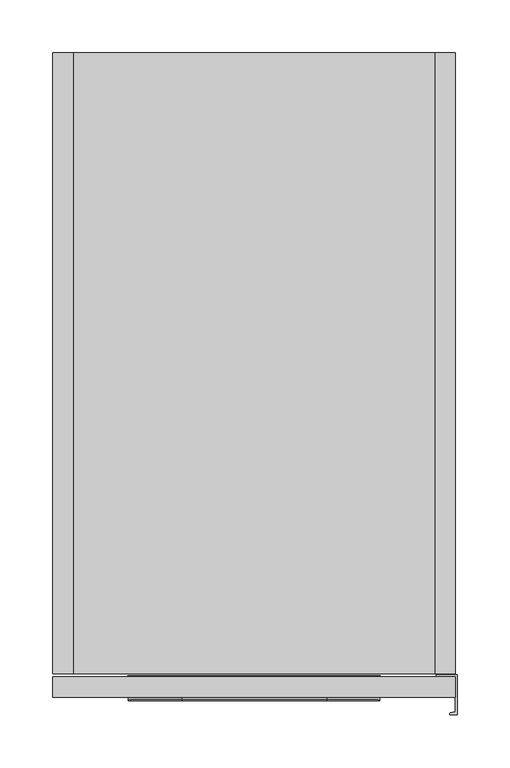
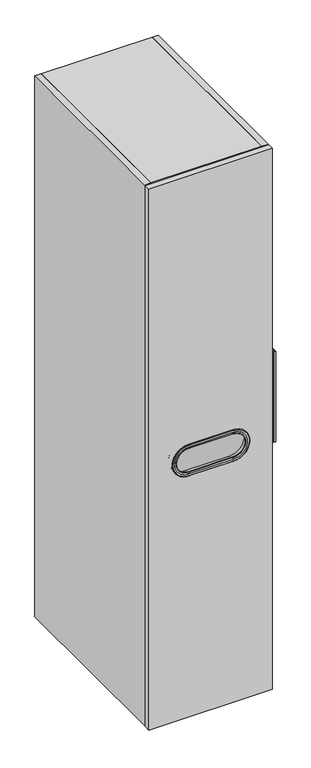
"""IFC4 building model written with IfcOpenShell, lengths in millimetres: furniture geometry."""

from ifc_helpers import new_model, si_unit, point, frame, frame_2d, origin, place, context, project, spatial, polyline, circle_curve, ellipse_curve, trimmed, segment, composite_curve, outline, extrude, source, transform, mapped, element, save
from ifc_brep_helpers import plane_surface, cylinder_surface, revolved_surface, advanced_brep


def furniture_8e4c0657(model_context):
    return source(origin(), model_context, "Body", "SolidModel", [
        extrude(outline(composite_curve([segment(polyline([(382.4988631, -588.4595617), (382.4988631, -626.4595617), (376.4988631, -626.4595617)]), True, "CONTINUOUS"), segment(trimmed(circle_curve(frame_2d((376.4988631, -625.4595617)), 1.0), [point((376.4988631, -626.4595617))], [point((376.240044, -624.4936358))], False, "CARTESIAN"), True, "CONTINUOUS"), segment(polyline([(376.240044, -624.4936358), (380.9988631, -623.2185141), (380.9988631, -590.55), (362.9988631, -590.55), (362.9988631, -588.4595617), (382.4988631, -588.4595617)]), True, "CONTINUOUS")], self_intersect=False)), frame((0.0, 0.0, 918.7942121), z_axis=(0.0, 0.0, 1.0), x_axis=(1.0, 0.0, 0.0)), (0.0, 0.0, 1.0), 296.0116),
        extrude(outline(polyline([(19.304, 0.0), (19.304, -587.375), (0.0, -587.375), (0.0, 0.0), (19.304, 0.0)])), frame((0.0, 0.0, 101.6), z_axis=(0.0, 0.0, 1.0), x_axis=(1.0, 0.0, 0.0)), (0.0, 0.0, 1.0), 1765.3),
        extrude(outline(composite_curve([segment(polyline([(-587.375, 1866.9), (0.0, 1866.9), (0.0, 1783.842), (-9.5152958, 1783.842)]), True, "CONTINUOUS"), segment(trimmed(circle_curve(frame_2d((-9.5152958, 1780.6572958)), 3.1847042), [point((-9.5152958, 1783.842))], [point((-12.7, 1780.6572958))], True, "CARTESIAN"), True, "CONTINUOUS"), segment(polyline([(-12.7, 1780.6572958), (-12.7, 1679.067)]), True, "CONTINUOUS"), segment(trimmed(circle_curve(frame_2d((-9.525, 1679.067)), 3.175), [point((-12.7, 1679.067))], [point((-9.525, 1675.892))], True, "CARTESIAN"), True, "CONTINUOUS"), segment(polyline([(-9.525, 1675.892), (0.0, 1675.892), (0.0, 725.424), (-9.525, 725.424)]), True, "CONTINUOUS"), segment(trimmed(circle_curve(frame_2d((-9.525, 722.249)), 3.175), [point((-9.525, 725.424))], [point((-12.7, 722.249))], True, "CARTESIAN"), True, "CONTINUOUS"), segment(polyline([(-12.7, 722.249), (-12.7, 620.649)]), True, "CONTINUOUS"), segment(trimmed(circle_curve(frame_2d((-9.525, 620.649)), 3.175), [point((-12.7, 620.649))], [point((-9.525, 617.474))], True, "CARTESIAN"), True, "CONTINUOUS"), segment(polyline([(-9.525, 617.474), (0.0, 617.474), (0.0, 101.6), (-587.375, 101.6), (-587.375, 1866.9)]), True, "CONTINUOUS")], self_intersect=False)), frame((361.696, 0.0, 0.0), z_axis=(1.0, 0.0, 0.0), x_axis=(0.0, 1.0, 0.0)), (0.0, 0.0, 1.0), 19.304),
        extrude(outline(polyline([(361.696, -12.7), (361.696, -32.004), (19.304, -32.004), (19.304, -12.7), (361.696, -12.7)])), frame((0.0, 0.0, 101.6), z_axis=(0.0, 0.0, 1.0), x_axis=(1.0, 0.0, 0.0)), (0.0, 0.0, 1.0), 1745.996),
        extrude(outline(polyline([(361.696, -587.375), (19.304, -587.375), (19.304, -32.004), (361.696, -32.004), (361.696, -587.375)])), frame((0.0, 0.0, 101.6), z_axis=(0.0, 0.0, 1.0), x_axis=(1.0, 0.0, 0.0)), (0.0, 0.0, 1.0), 19.304),
        extrude(outline(polyline([(361.696, -587.375), (19.304, -587.375), (19.304, 0.0), (361.696, 0.0), (361.696, -587.375)])), frame((0.0, 0.0, 1847.596), z_axis=(0.0, 0.0, 1.0), x_axis=(1.0, 0.0, 0.0)), (0.0, 0.0, 1.0), 19.304),
        advanced_brep(
        [(121.92, -610.8578403, 978.688296), (121.92, -610.8578403, 902.283304), (121.92, -609.854, 902.3359131), (121.92, -609.854, 978.6356869), (121.92, -611.5287336, 979.100625), (121.92, -611.5287336, 901.870975), (121.92, -612.8512, 984.062024), (121.92, -612.8512, 896.909576), (121.92, -612.2580346, 991.1771461), (121.92, -612.2580346, 889.7944539), (121.92, -612.8512, 890.4086946), (121.92, -612.8512, 990.5629054), (121.92, -590.1701669, 991.9484715), (121.92, -590.1701669, 889.0231285), (121.92, -589.534, 991.3341322), (121.92, -589.534, 889.6374678), (121.92, -609.854, 988.6188), (121.92, -609.854, 892.3528), (121.92, -589.534, 892.3528), (121.92, -589.534, 988.6188), (259.08, -609.854, 978.6356869), (259.08, -610.8578403, 978.688296), (259.08, -611.5287336, 979.100625), (259.08, -612.8512, 984.062024), (259.08, -612.8512, 990.5629054), (259.08, -612.2580346, 991.1771461), (259.08, -590.1701669, 991.9484715), (259.08, -589.534, 991.3341322), (259.08, -589.534, 988.6188), (259.08, -609.854, 988.6188), (259.08, -610.8578403, 902.283304), (259.08, -609.854, 902.3359131), (259.08, -611.5287336, 901.870975), (259.08, -612.8512, 896.909576), (259.08, -612.2580346, 889.7944539), (259.08, -612.8512, 890.4086946), (259.08, -590.1701669, 889.0231285), (259.08, -589.534, 889.6374678), (259.08, -609.854, 892.3528), (259.08, -589.534, 892.3528)],
        [
            (0, 1, circle_curve(frame((121.92, -610.8578403, 940.4858), z_axis=(0.0, -1.0, 0.0), x_axis=(0.0, 0.0, -1.0)), 38.202496)),
            (1, 2),
            (2, 3, circle_curve(frame((121.92, -609.854, 940.4858), z_axis=(0.0, 1.0, 0.0), x_axis=(0.0, 0.0, -1.0)), 38.1498869)),
            (3, 0),
            (4, 5, circle_curve(frame((121.92, -611.5287336, 940.4858), z_axis=(0.0, -1.0, 0.0), x_axis=(0.0, 0.0, -1.0)), 38.614825)),
            (5, 1, circle_curve(frame((121.92, -610.8147579, 901.4612416), z_axis=(-1.0, 0.0, 0.0), x_axis=(0.0, -1.0, 0.0)), 0.8231906)),
            (0, 4, circle_curve(frame((121.92, -610.8147579, 979.5103584), z_axis=(-1.0, 0.0, 0.0), x_axis=(0.0, -1.0, 0.0)), 0.8231906)),
            (6, 7, circle_curve(frame((121.92, -612.8512, 940.4858), z_axis=(0.0, -1.0, 0.0), x_axis=(0.0, 0.0, -1.0)), 43.576224)),
            (7, 5, circle_curve(frame((121.92, -602.883311, 896.909576), z_axis=(-1.0, 0.0, 0.0), x_axis=(0.0, -1.0, 0.0)), 9.967889)),
            (4, 6, circle_curve(frame((121.92, -602.883311, 984.062024), z_axis=(-1.0, 0.0, 0.0), x_axis=(0.0, -1.0, 0.0)), 9.967889)),
            (8, 9, circle_curve(frame((121.92, -612.2580346, 940.4858), z_axis=(0.0, -1.0, 0.0), x_axis=(0.0, 0.0, -1.0)), 50.6913461)),
            (9, 10, circle_curve(frame((121.92, -612.2365849, 890.4086946), z_axis=(-1.0, 0.0, 0.0), x_axis=(0.0, -1.0, 0.0)), 0.6146151)),
            (10, 11, circle_curve(frame((121.92, -612.8512, 940.4858), z_axis=(0.0, 1.0, 0.0), x_axis=(0.0, 0.0, -1.0)), 50.0771054)),
            (11, 8, circle_curve(frame((121.92, -612.2365849, 990.5629054), z_axis=(-1.0, 0.0, 0.0), x_axis=(0.0, -1.0, 0.0)), 0.6146151)),
            (12, 13, circle_curve(frame((121.92, -590.1701669, 940.4858), z_axis=(0.0, -1.0, 0.0), x_axis=(0.0, 0.0, -1.0)), 51.4626715)),
            (13, 9),
            (8, 12),
            (14, 15, circle_curve(frame((121.92, -589.534, 940.4858), z_axis=(0.0, -1.0, 0.0), x_axis=(0.0, 0.0, -1.0)), 50.8483322)),
            (15, 13, circle_curve(frame((121.92, -590.1487137, 889.6374678), z_axis=(-1.0, 0.0, 0.0), x_axis=(0.0, -1.0, 0.0)), 0.6147137)),
            (12, 14, circle_curve(frame((121.92, -590.1487137, 991.3341322), z_axis=(-1.0, 0.0, 0.0), x_axis=(0.0, -1.0, 0.0)), 0.6147137)),
            (16, 17, circle_curve(frame((121.92, -609.854, 940.4858), z_axis=(0.0, -1.0, 0.0), x_axis=(0.0, 0.0, -1.0)), 48.133)),
            (17, 18),
            (18, 19, circle_curve(frame((121.92, -589.534, 940.4858), z_axis=(0.0, 1.0, 0.0), x_axis=(0.0, 0.0, -1.0)), 48.133)),
            (19, 16),
            (3, 20),
            (20, 21),
            (21, 0),
            (21, 22, circle_curve(frame((259.08, -610.8147579, 979.5103584), z_axis=(-1.0, 0.0, 0.0), x_axis=(0.0, -1.0, 0.0)), 0.8231906)),
            (22, 4),
            (22, 23, circle_curve(frame((259.08, -602.883311, 984.062024), z_axis=(-1.0, 0.0, 0.0), x_axis=(0.0, -1.0, 0.0)), 9.967889)),
            (23, 6),
            (11, 24),
            (24, 25, circle_curve(frame((259.08, -612.2365849, 990.5629054), z_axis=(-1.0, 0.0, 0.0), x_axis=(0.0, -1.0, 0.0)), 0.6146151)),
            (25, 8),
            (25, 26),
            (26, 12),
            (26, 27, circle_curve(frame((259.08, -590.1487137, 991.3341322), z_axis=(-1.0, 0.0, 0.0), x_axis=(0.0, -1.0, 0.0)), 0.6147137)),
            (27, 14),
            (19, 28),
            (28, 29),
            (29, 16),
            (30, 21, circle_curve(frame((259.08, -610.8578403, 940.4858), z_axis=(0.0, -1.0, 0.0), x_axis=(0.0, 0.0, 1.0)), 38.202496)),
            (20, 31, circle_curve(frame((259.08, -609.854, 940.4858), z_axis=(0.0, 1.0, 0.0), x_axis=(0.0, 0.0, 1.0)), 38.1498869)),
            (31, 30),
            (32, 22, circle_curve(frame((259.08, -611.5287336, 940.4858), z_axis=(0.0, -1.0, 0.0), x_axis=(0.0, 0.0, 1.0)), 38.614825)),
            (30, 32, circle_curve(frame((259.08, -610.8147579, 901.4612416), z_axis=(1.0, 0.0, 0.0), x_axis=(0.0, -1.0, 0.0)), 0.8231906)),
            (33, 23, circle_curve(frame((259.08, -612.8512, 940.4858), z_axis=(0.0, -1.0, 0.0), x_axis=(0.0, 0.0, 1.0)), 43.576224)),
            (32, 33, circle_curve(frame((259.08, -602.883311, 896.909576), z_axis=(1.0, 0.0, 0.0), x_axis=(0.0, -1.0, 0.0)), 9.967889)),
            (34, 25, circle_curve(frame((259.08, -612.2580346, 940.4858), z_axis=(0.0, -1.0, 0.0), x_axis=(0.0, 0.0, 1.0)), 50.6913461)),
            (24, 35, circle_curve(frame((259.08, -612.8512, 940.4858), z_axis=(0.0, 1.0, 0.0), x_axis=(0.0, 0.0, 1.0)), 50.0771054)),
            (35, 34, circle_curve(frame((259.08, -612.2365849, 890.4086946), z_axis=(1.0, 0.0, 0.0), x_axis=(0.0, -1.0, 0.0)), 0.6146151)),
            (36, 26, circle_curve(frame((259.08, -590.1701669, 940.4858), z_axis=(0.0, -1.0, 0.0), x_axis=(0.0, 0.0, 1.0)), 51.4626715)),
            (34, 36),
            (37, 27, circle_curve(frame((259.08, -589.534, 940.4858), z_axis=(0.0, -1.0, 0.0), x_axis=(0.0, 0.0, 1.0)), 50.8483322)),
            (36, 37, circle_curve(frame((259.08, -590.1487137, 889.6374678), z_axis=(1.0, 0.0, 0.0), x_axis=(0.0, -1.0, 0.0)), 0.6147137)),
            (38, 29, circle_curve(frame((259.08, -609.854, 940.4858), z_axis=(0.0, -1.0, 0.0), x_axis=(0.0, 0.0, 1.0)), 48.133)),
            (28, 39, circle_curve(frame((259.08, -589.534, 940.4858), z_axis=(0.0, 1.0, 0.0), x_axis=(0.0, 0.0, 1.0)), 48.133)),
            (39, 38),
            (38, 17),
            (2, 31),
            (1, 30),
            (5, 32),
            (7, 33),
            (10, 35),
            (9, 34),
            (13, 36),
            (15, 37),
            (18, 39),
        ],
        [
            revolved_surface(polyline([(121.92, -609.854, 902.3359131), (121.92, -610.8578403, 902.283304)]), (121.92, -609.854, 940.4858), (0.0, 1.0, 0.0)),
            revolved_surface(trimmed(ellipse_curve(frame((121.92, -610.8147579, 901.4612416), z_axis=(1.0, 0.0, 0.0), x_axis=(0.0, -1.0, 0.0)), 0.8231906, 0.8231906), [point((121.92, -610.8578403, 902.283304))], [point((121.92, -611.5287336, 901.870975))], True, "CARTESIAN"), (121.92, -609.854, 940.4858), (0.0, 1.0, 0.0)),
            revolved_surface(trimmed(ellipse_curve(frame((121.92, -602.883311, 896.909576), z_axis=(1.0, 0.0, 0.0), x_axis=(0.0, -1.0, 0.0)), 9.967889, 9.967889), [point((121.92, -611.5287336, 901.870975))], [point((121.92, -612.8512, 896.909576))], True, "CARTESIAN"), (121.92, -609.854, 940.4858), (0.0, 1.0, 0.0)),
            revolved_surface(trimmed(ellipse_curve(frame((121.92, -612.2365849, 890.4086946), z_axis=(1.0, 0.0, 0.0), x_axis=(0.0, -1.0, 0.0)), 0.6146151, 0.6146151), [point((121.92, -612.8512, 890.4086946))], [point((121.92, -612.2580346, 889.7944539))], True, "CARTESIAN"), (121.92, -609.854, 940.4858), (0.0, 1.0, 0.0)),
            revolved_surface(polyline([(121.92, -612.2580346, 889.7944539), (121.92, -590.1701669, 889.0231285)]), (121.92, -609.854, 940.4858), (0.0, 1.0, 0.0)),
            revolved_surface(trimmed(ellipse_curve(frame((121.92, -590.1487137, 889.6374678), z_axis=(1.0, 0.0, 0.0), x_axis=(0.0, -1.0, 0.0)), 0.6147137, 0.6147137), [point((121.92, -590.1701669, 889.0231285))], [point((121.92, -589.534, 889.6374678))], True, "CARTESIAN"), (121.92, -609.854, 940.4858), (0.0, 1.0, 0.0)),
            revolved_surface(polyline([(121.92, -589.534, 892.3528), (121.92, -609.854, 892.3528)]), (121.92, -609.854, 940.4858), (0.0, 1.0, 0.0)),
            plane_surface(frame((121.92, -609.854, 978.6356869), z_axis=(0.0, -0.05233595624287116, -0.9986295347545777), x_axis=(1.0, 0.0, 0.0))),
            cylinder_surface(frame((121.92, -610.8147579, 979.5103584), z_axis=(-1.0, 0.0, 0.0), x_axis=(0.0, -1.0, 0.0)), 0.8231906),
            cylinder_surface(frame((121.92, -602.883311, 984.062024), z_axis=(-1.0, 0.0, 0.0), x_axis=(0.0, -1.0, 0.0)), 9.967889),
            cylinder_surface(frame((121.92, -612.2365849, 990.5629054), z_axis=(-1.0, 0.0, 0.0), x_axis=(0.0, -1.0, 0.0)), 0.6146151),
            plane_surface(frame((121.92, -612.2580346, 991.1771461), z_axis=(0.0, -0.03489949670249897, 0.9993908270190958), x_axis=(1.0, 0.0, 0.0))),
            cylinder_surface(frame((121.92, -590.1487137, 991.3341322), z_axis=(-1.0, 0.0, 0.0), x_axis=(0.0, -1.0, 0.0)), 0.6147137),
            plane_surface(frame((121.92, -589.534, 988.6188), z_axis=(0.0, 0.0, -1.0), x_axis=(1.0, 0.0, 0.0))),
            revolved_surface(polyline([(259.08, -609.854, 978.6356869), (259.08, -610.8578403, 978.688296)]), (259.08, -609.854, 940.4858), (0.0, 1.0, 0.0)),
            revolved_surface(trimmed(ellipse_curve(frame((259.08, -610.8147579, 979.5103584), z_axis=(-1.0, 0.0, 0.0), x_axis=(0.0, -1.0, 0.0)), 0.8231906, 0.8231906), [point((259.08, -610.8578403, 978.688296))], [point((259.08, -611.5287336, 979.100625))], True, "CARTESIAN"), (259.08, -609.854, 940.4858), (0.0, 1.0, 0.0)),
            revolved_surface(trimmed(ellipse_curve(frame((259.08, -602.883311, 984.062024), z_axis=(-1.0, 0.0, 0.0), x_axis=(0.0, -1.0, 0.0)), 9.967889, 9.967889), [point((259.08, -611.5287336, 979.100625))], [point((259.08, -612.8512, 984.062024))], True, "CARTESIAN"), (259.08, -609.854, 940.4858), (0.0, 1.0, 0.0)),
            revolved_surface(trimmed(ellipse_curve(frame((259.08, -612.2365849, 990.5629054), z_axis=(-1.0, 0.0, 0.0), x_axis=(0.0, -1.0, 0.0)), 0.6146151, 0.6146151), [point((259.08, -612.8512, 990.5629054))], [point((259.08, -612.2580346, 991.1771461))], True, "CARTESIAN"), (259.08, -609.854, 940.4858), (0.0, 1.0, 0.0)),
            revolved_surface(polyline([(259.08, -612.2580346, 991.1771461), (259.08, -590.1701669, 991.9484715)]), (259.08, -609.854, 940.4858), (0.0, 1.0, 0.0)),
            revolved_surface(trimmed(ellipse_curve(frame((259.08, -590.1487137, 991.3341322), z_axis=(-1.0, 0.0, 0.0), x_axis=(0.0, -1.0, 0.0)), 0.6147137, 0.6147137), [point((259.08, -590.1701669, 991.9484715))], [point((259.08, -589.534, 991.3341322))], True, "CARTESIAN"), (259.08, -609.854, 940.4858), (0.0, 1.0, 0.0)),
            revolved_surface(polyline([(259.08, -589.534, 988.6188000000001), (259.08, -609.854, 988.6188000000001)]), (259.08, -609.854, 940.4858), (0.0, 1.0, 0.0)),
            plane_surface(frame((259.08, -609.854, 892.3528), z_axis=(0.0, 1.0, 0.0), x_axis=(-1.0, 0.0, 0.0))),
            plane_surface(frame((259.08, -609.854, 902.3359131), z_axis=(0.0, -0.05233595624287116, 0.9986295347545777), x_axis=(-1.0, 0.0, 0.0))),
            cylinder_surface(frame((259.08, -610.8147579, 901.4612416), z_axis=(1.0, 0.0, 0.0), x_axis=(0.0, -1.0, 0.0)), 0.8231906),
            cylinder_surface(frame((259.08, -602.883311, 896.909576), z_axis=(1.0, 0.0, 0.0), x_axis=(0.0, -1.0, 0.0)), 9.967889),
            plane_surface(frame((259.08, -612.8512, 896.909576), z_axis=(0.0, -1.0, 0.0), x_axis=(-1.0, 0.0, 0.0))),
            cylinder_surface(frame((259.08, -612.2365849, 890.4086946), z_axis=(1.0, 0.0, 0.0), x_axis=(0.0, -1.0, 0.0)), 0.6146151),
            plane_surface(frame((259.08, -612.2580346, 889.7944539), z_axis=(0.0, -0.03489949670249897, -0.9993908270190958), x_axis=(-1.0, 0.0, 0.0))),
            cylinder_surface(frame((259.08, -590.1487137, 889.6374678), z_axis=(1.0, 0.0, 0.0), x_axis=(0.0, -1.0, 0.0)), 0.6147137),
            plane_surface(frame((259.08, -589.534, 889.6374678), z_axis=(0.0, 1.0, 0.0), x_axis=(-1.0, 0.0, 0.0))),
            plane_surface(frame((259.08, -589.534, 892.3528), z_axis=(0.0, 0.0, 1.0), x_axis=(-1.0, 0.0, 0.0))),
        ],
        [
            (0, [[1, 2, 3, 4]]),
            (1, [[5, 6, -1, 7]]),
            (2, [[8, 9, -5, 10]]),
            (3, [[11, 12, 13, 14]]),
            (4, [[15, 16, -11, 17]]),
            (5, [[18, 19, -15, 20]]),
            (6, [[21, 22, 23, 24]]),
            (7, [[-4, 25, 26, 27]]),
            (8, [[-7, -27, 28, 29]]),
            (9, [[-10, -29, 30, 31]]),
            (10, [[-14, 32, 33, 34]]),
            (11, [[-17, -34, 35, 36]]),
            (12, [[-20, -36, 37, 38]]),
            (13, [[-24, 39, 40, 41]]),
            (14, [[42, -26, 43, 44]]),
            (15, [[45, -28, -42, 46]]),
            (16, [[47, -30, -45, 48]]),
            (17, [[49, -33, 50, 51]]),
            (18, [[52, -35, -49, 53]]),
            (19, [[54, -37, -52, 55]]),
            (20, [[56, -40, 57, 58]]),
            (21, [[-41, -56, 59, -21], [60, -43, -25, -3]]),
            (22, [[-44, -60, -2, 61]]),
            (23, [[-46, -61, -6, 62]]),
            (24, [[-48, -62, -9, 63]]),
            (25, [[64, -50, -32, -13], [-31, -47, -63, -8]]),
            (26, [[-51, -64, -12, 65]]),
            (27, [[-53, -65, -16, 66]]),
            (28, [[-55, -66, -19, 67]]),
            (29, [[-38, -54, -67, -18], [68, -57, -39, -23]]),
            (30, [[-58, -68, -22, -59]]),
        ],
    ),
        extrude(outline(polyline([(1866.9, 381.0), (1866.9, 0.0), (101.6, 0.0), (101.6, 381.0), (1866.9, 381.0)]), holes=[composite_curve([segment(trimmed(circle_curve(frame_2d((940.4858, 259.08)), 48.133), [point((988.6188, 259.08))], [point((892.3528, 259.08))], True, "CARTESIAN"), True, "CONTINUOUS"), segment(polyline([(892.3528, 259.08), (892.3528, 121.92)]), True, "CONTINUOUS"), segment(trimmed(circle_curve(frame_2d((940.4858, 121.92)), 48.133), [point((892.3528, 121.92))], [point((988.6188, 121.92))], True, "CARTESIAN"), True, "CONTINUOUS"), segment(polyline([(988.6188, 121.92), (988.6188, 259.08)]), True, "CONTINUOUS")], self_intersect=False)]), frame((0.0, -609.854, 0.0), z_axis=(0.0, 1.0, 0.0), x_axis=(0.0, 0.0, 1.0)), (0.0, 0.0, 1.0), 19.304),
    ])


if __name__ == "__main__":
    model = new_model("IFC4")
    model_context = context("Model", 3, world=origin())
    ifc_project = project(units=[si_unit("LENGTHUNIT", "METRE", prefix="MILLI")], contexts=[model_context])
    site = spatial("IfcSite", under=ifc_project)
    building = spatial("IfcBuilding", under=site)
    placement = place(None, origin())
    furniture_shape = furniture_8e4c0657(model_context)
    element("IfcFurniture", 1, at=placement, inside=building, context=model_context, shape_type="MappedRepresentation", body=[
        mapped(furniture_shape, transform((0.0, 0.0, 0.0), x_axis=(1.0, 0.0, 0.0), y_axis=(0.0, 1.0, 0.0), z_axis=(0.0, 0.0, 1.0))),
    ])
    save(model, "model.ifc")
